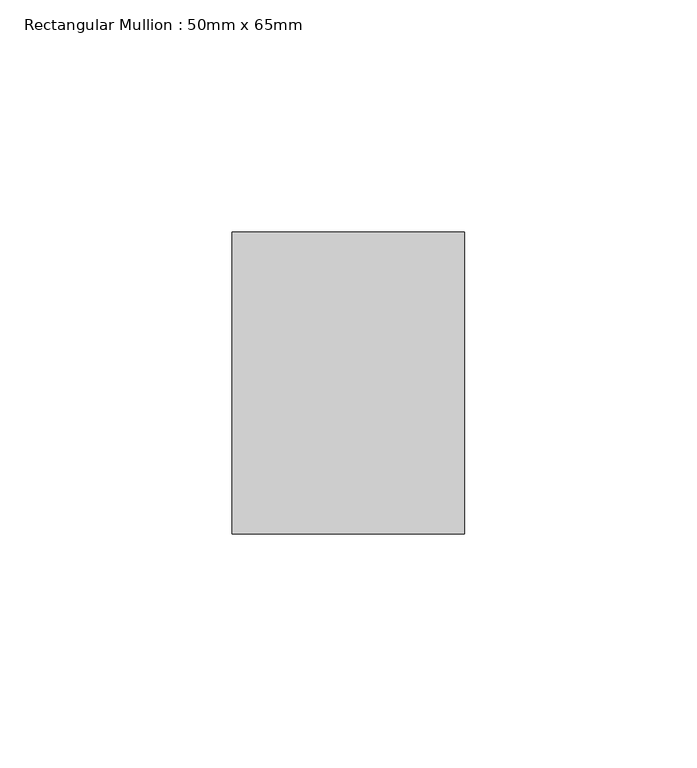
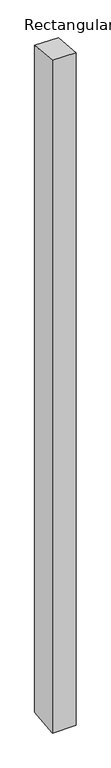
"""IFC4 building model written with IfcOpenShell, lengths in millimetres: member geometry, Rectangular Mullion : 50mm x 65mm."""

from ifc_helpers import new_model, si_unit, origin, place, context, project, spatial, faceted_brep, source, transform, mapped, element, save


def rectangular_mullion_50mm_x_65mm_f3c8aa52(model_context):
    return source(origin(), model_context, "Body", "Brep", [
        faceted_brep([(-25.0, 32.5, -2.9911547), (25.0, 32.5, -2.9911553), (25.0, 32.5, -1496.6283178), (-25.0, 32.5, -1496.6283185), (-25.0, -32.5, 2.9911553), (-25.0, -32.5, -1503.371679), (25.0, -32.5, 2.9911547), (25.0, -32.5, -1503.3716783)], [[[0, 1, 2, 3]], [[4, 0, 3, 5]], [[6, 4, 5, 7]], [[1, 6, 7, 2]], [[1, 0, 4, 6]], [[2, 7, 5, 3]]]),
    ])


if __name__ == "__main__":
    model = new_model("IFC4")
    model_context = context("Model", 3, world=origin())
    ifc_project = project(units=[si_unit("LENGTHUNIT", "METRE", prefix="MILLI")], contexts=[model_context])
    site = spatial("IfcSite", under=ifc_project)
    building = spatial("IfcBuilding", under=site)
    placement = place(None, origin())
    rectangular_mullion_50mm_x_65mm_shape = rectangular_mullion_50mm_x_65mm_f3c8aa52(model_context)
    element("IfcMember", 1, ObjectType="Rectangular Mullion : 50mm x 65mm", at=placement, inside=building, context=model_context, shape_type="MappedRepresentation", body=[
        mapped(rectangular_mullion_50mm_x_65mm_shape, transform((0.0, 0.0, 0.0), x_axis=(1.0, 0.0, 0.0), y_axis=(0.0, 1.0, 0.0), z_axis=(0.0, 0.0, 1.0))),
    ])
    save(model, "model.ifc")
